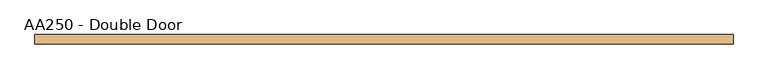
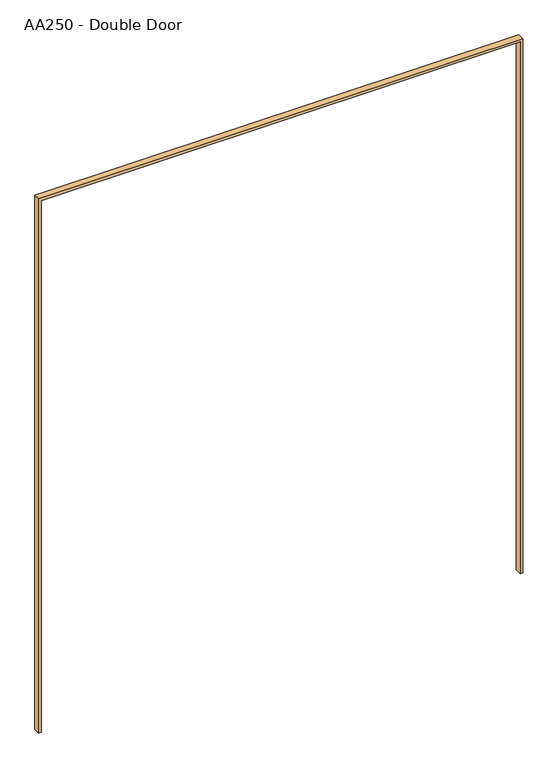
"""IFC4 building model written with IfcOpenShell, lengths in millimetres: door geometry, AA250 - Double Door."""

from ifc_helpers import new_model, si_unit, frame, origin, place, context, project, spatial, polyline, outline, extrude, source, transform, mapped, element, save


def aa250_double_door_14cf2654(model_context):
    return source(origin(), model_context, "Body", "SweptSolid", [
        extrude(outline(polyline([(0.0, 914.4), (2133.59492, 914.4), (2133.59492, -914.4), (0.0, -914.4), (0.0, -904.88008), (2124.075, -904.88008), (2124.075, 904.88008), (0.0, 904.88008), (0.0, 914.4)])), frame((0.0, 3.175, 0.0), z_axis=(0.0, 1.0, 0.0), x_axis=(0.0, 0.0, 1.0)), (0.0, 0.0, 1.0), 24.9047),
    ])


if __name__ == "__main__":
    model = new_model("IFC4")
    model_context = context("Model", 3, world=origin())
    ifc_project = project(units=[si_unit("LENGTHUNIT", "METRE", prefix="MILLI")], contexts=[model_context])
    site = spatial("IfcSite", under=ifc_project)
    building = spatial("IfcBuilding", under=site)
    placement = place(None, origin())
    aa250_double_door_shape = aa250_double_door_14cf2654(model_context)
    element("IfcDoor", 1, ObjectType="AA250 - Double Door", at=placement, inside=building, context=model_context, shape_type="MappedRepresentation", body=[
        mapped(aa250_double_door_shape, transform((0.0, 0.0, 0.0), x_axis=(1.0, 0.0, 0.0), y_axis=(0.0, 1.0, 0.0), z_axis=(0.0, 0.0, 1.0))),
    ])
    save(model, "model.ifc")
